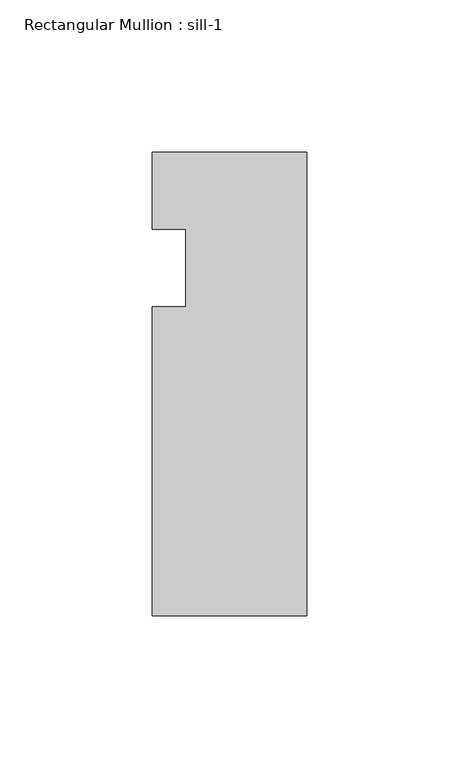
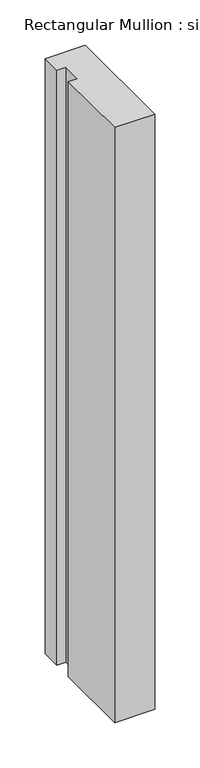
"""IFC4 building model written with IfcOpenShell, lengths in millimetres: member geometry, Rectangular Mullion : sill-1."""

import ifcopenshell
import ifcopenshell.guid

model = None  # the IFC model being written
_history = None  # IfcOwnerHistory: only IFC2X3 demands one
_inside = {}  # id of a spatial element -> (the spatial element, [elements in it])
_under = {}  # id of a project, library or spatial element -> (it, [spatial elements below it])
_declared = {}  # id of a project -> (the project, [libraries it declares])
_typed = {}  # id of a type object -> (the type object, [elements of that type])
_made_of = {}  # id of a material, layer set ... -> (it, [elements and type objects made of it])


def new_model(schema):
    """Start an empty IFC model of exactly this schema.

    Asked for "IFC4X3", IfcOpenShell would pick the latest addendum, in which some entities
    have other attributes; the version numbers below select the first issue.
    IFC2X3 requires an IfcOwnerHistory on every rooted entity: one is made here for all.
    """
    global model, _history
    if schema == "IFC4X3":
        model = ifcopenshell.file(schema_version=(4, 3, 0, 0))
    else:
        model = ifcopenshell.file(schema=schema)
    _inside.clear()
    _under.clear()
    _declared.clear()
    _typed.clear()
    _made_of.clear()
    _history = None
    if model.schema == "IFC2X3":
        org = make("IfcOrganization", Name="unknown")
        user = make(
            "IfcPersonAndOrganization",
            ThePerson=make("IfcPerson", FamilyName="unknown"),
            TheOrganization=org,
        )
        app = make(
            "IfcApplication",
            ApplicationDeveloper=org,
            Version="unknown",
            ApplicationFullName="unknown",
            ApplicationIdentifier="unknown",
        )
        _history = make(
            "IfcOwnerHistory",
            OwningUser=user,
            OwningApplication=app,
            ChangeAction="ADDED",
            CreationDate=0,
        )
    return model


def make(cls, **values):
    """One entity of the class cls with the attributes given. An attribute that is None is left unset."""
    return model.create_entity(
        cls, **{name: value for name, value in values.items() if value is not None}
    )


def rooted(cls, **values):
    """An entity with a GlobalId (a new one), such as an element, a storey or a relation."""
    return make(cls, GlobalId=ifcopenshell.guid.new(), OwnerHistory=_history, **values)


def si_unit(unit_type, name, prefix=None):
    """IfcSIUnit, for example si_unit("LENGTHUNIT", "METRE", prefix="MILLI")."""
    return make("IfcSIUnit", UnitType=unit_type, Prefix=prefix, Name=name)


def assignment(units):
    """IfcUnitAssignment: the units of a project."""
    return None if units is None else make("IfcUnitAssignment", Units=units)


def point(xyz):
    """IfcCartesianPoint."""
    return None if xyz is None else make("IfcCartesianPoint", Coordinates=xyz)


def direction(xyz):
    """IfcDirection."""
    return None if xyz is None else make("IfcDirection", DirectionRatios=xyz)


def frame(location, z_axis=None, x_axis=None):
    """IfcAxis2Placement3D, a coordinate frame: its origin and axes. An axis left out is left unset."""
    return make(
        "IfcAxis2Placement3D",
        Location=point(location),
        Axis=direction(z_axis),
        RefDirection=direction(x_axis),
    )


def origin():
    """The frame at (0, 0, 0) with its axes left unset."""
    return frame((0.0, 0.0, 0.0))


def place(relative_to, where):
    """IfcLocalPlacement: puts the frame where relative to a parent placement (None: the world)."""
    return make(
        "IfcLocalPlacement", PlacementRelTo=relative_to, RelativePlacement=where
    )


def context(
    kind, dimensions, precision=None, world=None, true_north=None, identifier=None
):
    """IfcGeometricRepresentationContext, for example the 3D "Model" context."""
    return make(
        "IfcGeometricRepresentationContext",
        ContextIdentifier=identifier,
        ContextType=kind,
        CoordinateSpaceDimension=dimensions,
        Precision=precision,
        WorldCoordinateSystem=world,
        TrueNorth=true_north,
    )


def project(units=None, contexts=None):
    """IfcProject with its units and contexts."""
    return rooted(
        "IfcProject",
        Name="project",
        RepresentationContexts=contexts,
        UnitsInContext=assignment(units),
    )


def spatial(cls, under=None, at=None, **own):
    """A site, building, storey or space (cls), placed at a placement, below another one or the project."""
    s = rooted(cls, ObjectPlacement=at, **own)
    if under is not None:
        _under.setdefault(under.id(), (under, []))[1].append(s)
    return s


def polyline(points):
    """IfcPolyline through the points."""
    return make("IfcPolyline", Points=[point(p) for p in points])


def outline(outer, holes=None, kind="AREA"):
    """IfcArbitraryClosedProfileDef: a profile drawn as a closed curve; with holes, ...WithVoids."""
    if holes is None:
        return make("IfcArbitraryClosedProfileDef", ProfileType=kind, OuterCurve=outer)
    return make(
        "IfcArbitraryProfileDefWithVoids",
        ProfileType=kind,
        OuterCurve=outer,
        InnerCurves=holes,
    )


def extrude(swept, where, along, depth):
    """IfcExtrudedAreaSolid: the profile swept, set in the frame where, extruded along a direction by depth."""
    return make(
        "IfcExtrudedAreaSolid",
        SweptArea=swept,
        Position=where,
        ExtrudedDirection=direction(along),
        Depth=depth,
    )


def shape(context_of_items, identifier, shape_type, items):
    """IfcShapeRepresentation: the items that make up one representation, for example the "Body"."""
    return make(
        "IfcShapeRepresentation",
        ContextOfItems=context_of_items,
        RepresentationIdentifier=identifier,
        RepresentationType=shape_type,
        Items=items,
    )


def source(mapping_origin, context_of_items, identifier, shape_type, items):
    """IfcRepresentationMap: a shape defined once, which mapped items show again and again."""
    return make(
        "IfcRepresentationMap",
        MappingOrigin=mapping_origin,
        MappedRepresentation=shape(context_of_items, identifier, shape_type, items),
    )


def transform(
    local_origin,
    x_axis=None,
    y_axis=None,
    z_axis=None,
    scale=None,
    scale2=None,
    scale3=None,
    uniform=True,
):
    """IfcCartesianTransformationOperator3D, or its non-uniform kind. x_axis, y_axis, z_axis: its Axis1, 2, 3."""
    if uniform:
        return make(
            "IfcCartesianTransformationOperator3D",
            Axis1=direction(x_axis),
            Axis2=direction(y_axis),
            LocalOrigin=point(local_origin),
            Scale=scale,
            Axis3=direction(z_axis),
        )
    return make(
        "IfcCartesianTransformationOperator3DnonUniform",
        Axis1=direction(x_axis),
        Axis2=direction(y_axis),
        LocalOrigin=point(local_origin),
        Scale=scale,
        Axis3=direction(z_axis),
        Scale2=scale2,
        Scale3=scale3,
    )


def mapped(mapping_source, mapping_target):
    """IfcMappedItem: shows the shape of a source again, moved by a transform."""
    return make(
        "IfcMappedItem", MappingSource=mapping_source, MappingTarget=mapping_target
    )


def made_of(thing, what):
    """Note that an element or type object is made of a material, layer set ...; save() writes the relation."""
    if what is not None:
        _made_of.setdefault(what.id(), (what, []))[1].append(thing)
    return thing


def element(
    cls,
    number,
    at=None,
    inside=None,
    cuts=None,
    type_object=None,
    material=None,
    context=None,
    identifier="Body",
    shape_type=None,
    held_by="IfcProductDefinitionShape",
    body=None,
    shapes=None,
    **own,
):
    """One element of the class cls, such as IfcWall. Its Tag is "e" and its number.

    at: its placement. inside: the storey or other place that contains it. cuts: it is an
    opening in that element (IfcRelVoidsElement). A single representation is given by context,
    identifier, shape_type and body (its items); several are given by shapes. held_by: the class
    of the entity that holds the representations. save() writes the other relations.
    """
    e = rooted(cls, Tag="e%d" % number, ObjectPlacement=at, **own)
    if body is not None:
        shapes = [shape(context, identifier, shape_type, body)]
    if shapes is not None:
        e.Representation = make(held_by, Representations=shapes)
    if inside is not None:
        _inside.setdefault(inside.id(), (inside, []))[1].append(e)
    if cuts is not None:
        rooted(
            "IfcRelVoidsElement", RelatingBuildingElement=cuts, RelatedOpeningElement=e
        )
    if type_object is not None:
        _typed.setdefault(type_object.id(), (type_object, []))[1].append(e)
    return made_of(e, material)


def aggregate(whole, parts):
    """IfcRelAggregates: a whole, such as a stair, and the parts it consists of."""
    return rooted("IfcRelAggregates", RelatingObject=whole, RelatedObjects=parts)


def save(model, path):
    """Write the relations noted so far, then the file.

    IfcRelAggregates (storeys below a building ...), IfcRelContainedInSpatialStructure (elements
    in a storey), IfcRelDefinesByType, IfcRelAssociatesMaterial and IfcRelDeclares: one each for
    every whole, place, type object, material and project.
    """
    for whole, parts in _under.values():
        aggregate(whole, parts)
    for where, things in _inside.values():
        rooted(
            "IfcRelContainedInSpatialStructure",
            RelatedElements=things,
            RelatingStructure=where,
        )
    for kind, things in _typed.values():
        rooted("IfcRelDefinesByType", RelatedObjects=things, RelatingType=kind)
    for what, things in _made_of.values():
        rooted("IfcRelAssociatesMaterial", RelatedObjects=things, RelatingMaterial=what)
    for by, libraries in _declared.values():
        rooted("IfcRelDeclares", RelatingContext=by, RelatedDefinitions=libraries)
    model.write(path)


def rectangular_mullion_sill_1_26f63d26(model_context):
    return source(origin(), model_context, "Body", "SweptSolid", [
        extrude(outline(polyline([(0.0, 6.35), (0.0, -146.05), (-50.8, -146.05), (-50.8, -44.45), (-39.798625, -44.45), (-39.798625, -19.05), (-50.8, -19.05), (-50.8, 6.35), (0.0, 6.35)])), frame((0.0, 0.0, -800.0398076), z_axis=(0.0, 0.0, 1.0), x_axis=(1.0, 0.0, 0.0)), (0.0, 0.0, 1.0), 800.0398076),
    ])


if __name__ == "__main__":
    model = new_model("IFC4")
    model_context = context("Model", 3, world=origin())
    ifc_project = project(units=[si_unit("LENGTHUNIT", "METRE", prefix="MILLI")], contexts=[model_context])
    site = spatial("IfcSite", under=ifc_project)
    building = spatial("IfcBuilding", under=site)
    placement = place(None, origin())
    rectangular_mullion_sill_1_shape = rectangular_mullion_sill_1_26f63d26(model_context)
    element("IfcMember", 1, ObjectType="Rectangular Mullion : sill-1", at=placement, inside=building, context=model_context, shape_type="MappedRepresentation", body=[
        mapped(rectangular_mullion_sill_1_shape, transform((0.0, 0.0, 0.0), x_axis=(1.0, 0.0, 0.0), y_axis=(0.0, 1.0, 0.0), z_axis=(0.0, 0.0, 1.0))),
    ])
    save(model, "model.ifc")
